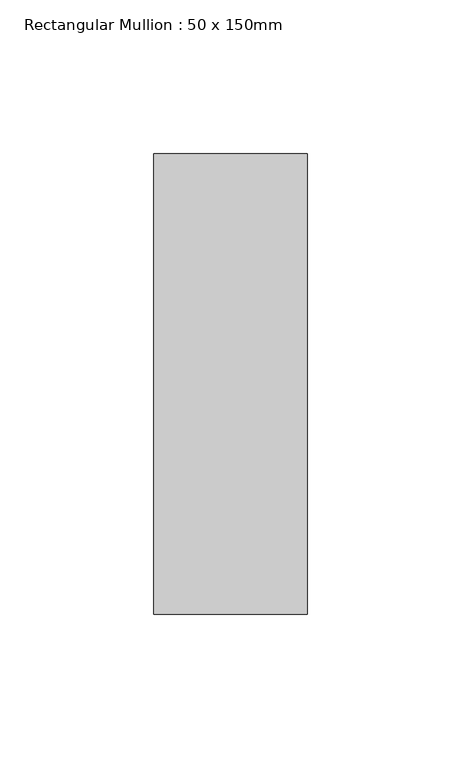
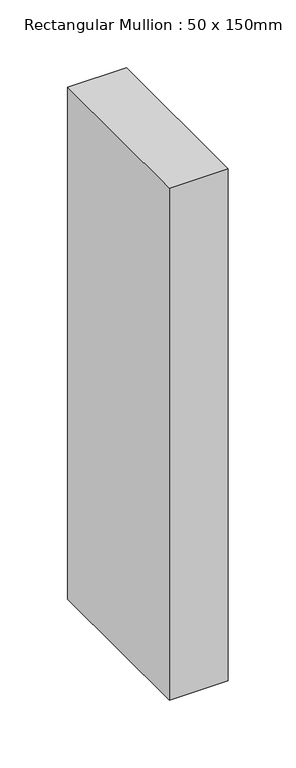
"""IFC4 building model written with IfcOpenShell, lengths in millimetres: member geometry, Rectangular Mullion : 50 x 150mm."""

from ifc_helpers import new_model, si_unit, frame, origin, place, context, project, spatial, polyline, outline, extrude, source, transform, mapped, element, save


def rectangular_mullion_50_x_150mm_e0a31b84(model_context):
    return source(origin(), model_context, "Body", "SweptSolid", [
        extrude(outline(polyline([(25.0, 75.0), (25.0, -75.0), (-25.0, -75.0), (-25.0, 75.0), (25.0, 75.0)])), frame((0.0, 0.0, -460.5603868), z_axis=(0.0, 0.0, 1.0), x_axis=(1.0, 0.0, 0.0)), (0.0, 0.0, 1.0), 460.5603868),
    ])


if __name__ == "__main__":
    model = new_model("IFC4")
    model_context = context("Model", 3, world=origin())
    ifc_project = project(units=[si_unit("LENGTHUNIT", "METRE", prefix="MILLI")], contexts=[model_context])
    site = spatial("IfcSite", under=ifc_project)
    building = spatial("IfcBuilding", under=site)
    placement = place(None, origin())
    rectangular_mullion_50_x_150mm_shape = rectangular_mullion_50_x_150mm_e0a31b84(model_context)
    element("IfcMember", 1, ObjectType="Rectangular Mullion : 50 x 150mm", at=placement, inside=building, context=model_context, shape_type="MappedRepresentation", body=[
        mapped(rectangular_mullion_50_x_150mm_shape, transform((0.0, 0.0, 0.0), x_axis=(1.0, 0.0, 0.0), y_axis=(0.0, 1.0, 0.0), z_axis=(0.0, 0.0, 1.0))),
    ])
    save(model, "model.ifc")
